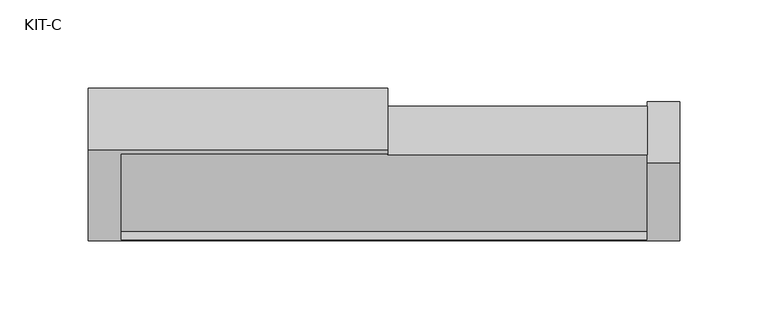
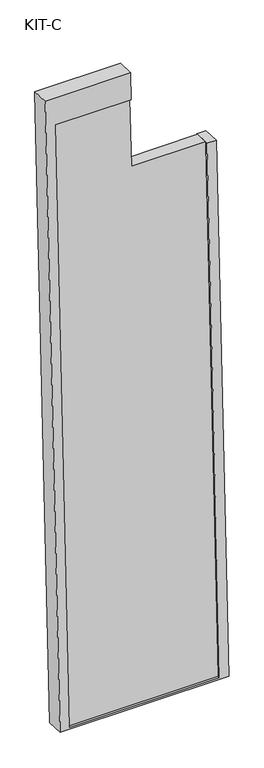
"""IFC4 building model written with IfcOpenShell, lengths in millimetres: plate geometry, KIT-C."""

from ifc_helpers import new_model, si_unit, frame, origin, place, context, project, spatial, polyline, outline, extrude, source, transform, mapped, element, save


def kit_c_3299e084(model_context):
    return source(origin(), model_context, "Body", "SweptSolid", [
        extrude(outline(polyline([(-1236.531593, -299.0), (-1236.531593, 0.0), (0.0, 0.0), (0.0, -151.5), (-140.0, -151.5), (-140.0, -299.0), (-1236.531593, -299.0)])), frame((-149.5, 7.6386598, 1185.0003484), z_axis=(0.0, -0.9992101801000246, 0.039736834102334216), x_axis=(0.0, 0.039736834102334216, 0.9992101801000246)), (0.0, 0.0, 1.0), 27.4505712),
        extrude(outline(polyline([(-1295.0000001, -336.0), (-1295.0000001, 0.0), (0.0, 0.0), (0.0, -170.0), (-55.0, -170.0), (-55.0, -18.5), (-1291.531593, -18.5), (-1291.531593, -317.5), (-195.0000001, -317.5), (-195.0000001, -336.0), (-1295.0000001, -336.0)])), frame((-168.0, 12.3716008, 1239.8556021), z_axis=(0.0, -0.9992101801000247, 0.03973683410233422), x_axis=(0.0, 0.03973683410233422, 0.9992101801000247)), (0.0, 0.0, 1.0), 35.0),
    ])


if __name__ == "__main__":
    model = new_model("IFC4")
    model_context = context("Model", 3, world=origin())
    ifc_project = project(units=[si_unit("LENGTHUNIT", "METRE", prefix="MILLI")], contexts=[model_context])
    site = spatial("IfcSite", under=ifc_project)
    building = spatial("IfcBuilding", under=site)
    placement = place(None, origin())
    kit_c_shape = kit_c_3299e084(model_context)
    element("IfcPlate", 1, ObjectType="KIT-C", at=placement, inside=building, context=model_context, shape_type="MappedRepresentation", body=[
        mapped(kit_c_shape, transform((0.0, 0.0, 0.0), x_axis=(1.0, 0.0, 0.0), y_axis=(0.0, 1.0, 0.0), z_axis=(0.0, 0.0, 1.0))),
    ])
    save(model, "model.ifc")
